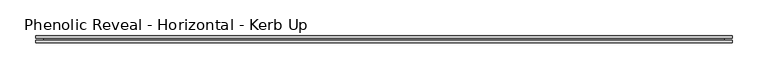
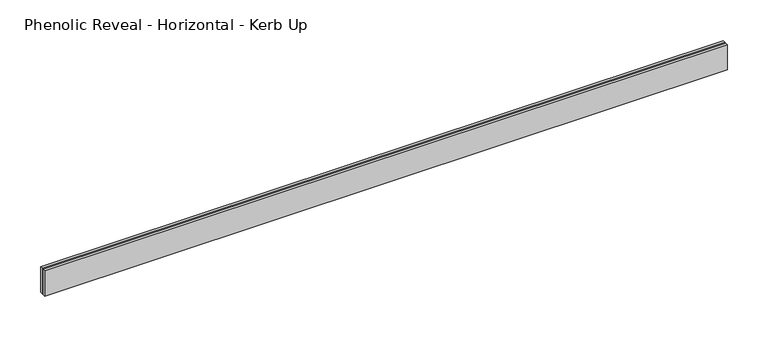
"""IFC4 building model written with IfcOpenShell, lengths in millimetres: proxy geometry, Phenolic Reveal - Horizontal - Kerb Up."""

from ifc_helpers import new_model, si_unit, origin, place, context, project, spatial, faceted_brep, source, transform, mapped, element, save


def phenolic_reveal_horizontal_kerb_up_36afc486(model_context):
    return source(origin(), model_context, "Body", "Brep", [
        faceted_brep([(969.3671875, 9.525, 0.0), (969.3671875, 9.525, 38.1), (969.3671875, 6.0765851, 38.1), (969.3671875, 6.0765851, 0.0), (969.3671875, 3.3757545, 0.0), (969.3671875, 3.3757545, 38.1), (969.3671875, 0.0, 38.1), (969.3671875, 0.0, 0.0), (0.0, 0.0, 0.0), (0.0, 0.0, 38.1), (0.0, 3.3757545, 38.1), (0.0, 3.3757545, 0.0), (0.0, 6.0765851, 0.0), (0.0, 6.0765851, 38.1), (0.0, 9.525, 38.1), (0.0, 9.525, 0.0), (958.2546875, 6.0765851, 0.0), (958.2546875, 3.3757545, 0.0), (11.1125, 3.3757545, 0.0), (11.1125, 6.0765851, 0.0), (958.2546875, 6.0765851, 26.9875), (958.2546875, 3.3757545, 26.9875), (11.1125, 6.0765851, 26.9875), (11.1125, 3.3757545, 26.9875)], [[[0, 1, 2, 3]], [[4, 5, 6, 7]], [[8, 9, 10, 11]], [[12, 13, 14, 15]], [[1, 0, 15, 14]], [[6, 5, 10, 9]], [[7, 6, 9, 8]], [[15, 0, 3, 16, 17, 4, 7, 8, 11, 18, 19, 12]], [[16, 20, 21, 17]], [[22, 19, 18, 23]], [[13, 2, 1, 14]], [[12, 19, 22, 20, 16, 3, 2, 13]], [[20, 22, 23, 21]], [[4, 17, 21, 23, 18, 11, 10, 5]]]),
    ])


if __name__ == "__main__":
    model = new_model("IFC4")
    model_context = context("Model", 3, world=origin())
    ifc_project = project(units=[si_unit("LENGTHUNIT", "METRE", prefix="MILLI")], contexts=[model_context])
    site = spatial("IfcSite", under=ifc_project)
    building = spatial("IfcBuilding", under=site)
    placement = place(None, origin())
    phenolic_reveal_horizontal_kerb_up_shape = phenolic_reveal_horizontal_kerb_up_36afc486(model_context)
    element("IfcBuildingElementProxy", 1, Name="Phenolic Reveal - Horizontal - Kerb Up", ObjectType="Phenolic Reveal - Horizontal - Kerb Up", at=placement, inside=building, context=model_context, shape_type="MappedRepresentation", body=[
        mapped(phenolic_reveal_horizontal_kerb_up_shape, transform((0.0, 0.0, 0.0), x_axis=(1.0, 0.0, 0.0), y_axis=(0.0, 1.0, 0.0), z_axis=(0.0, 0.0, 1.0))),
    ])
    save(model, "model.ifc")
